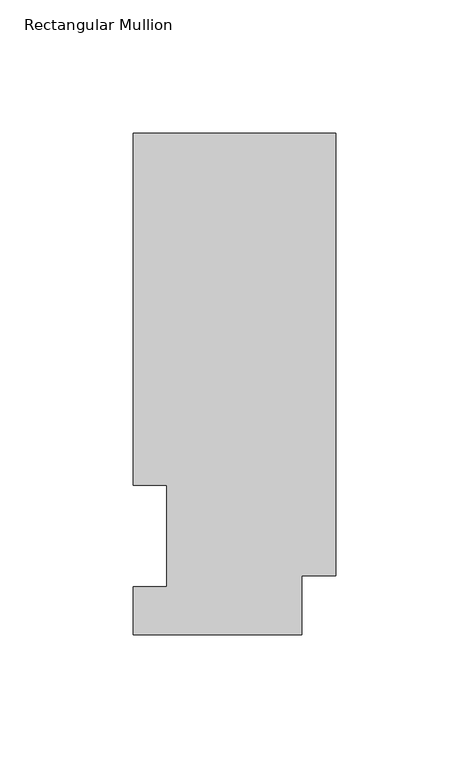
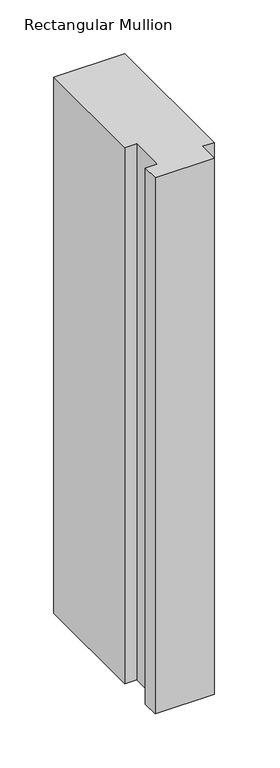
"""IFC4 building model written with IfcOpenShell, lengths in millimetres: member geometry, Rectangular Mullion."""

from ifc_helpers import new_model, si_unit, frame, origin, place, context, project, spatial, polyline, outline, extrude, source, transform, mapped, element, save


def rectangular_mullion_bc9c5409(model_context):
    return source(origin(), model_context, "Body", "SweptSolid", [
        extrude(outline(polyline([(-76.2, 189.0897822), (0.0, 189.0897822), (0.0, 22.6195299), (-12.7, 22.6195299), (-12.7, 0.5199062), (-76.2, 0.5199062), (-76.2, 18.5539063), (-63.5762, 18.5539063), (-63.5762, 56.6539062), (-76.2, 56.6539062), (-76.2, 189.0897822)])), frame((0.0, 0.0, -609.6), z_axis=(0.0, 0.0, 1.0), x_axis=(1.0, 0.0, 0.0)), (0.0, 0.0, 1.0), 609.6),
    ])


if __name__ == "__main__":
    model = new_model("IFC4")
    model_context = context("Model", 3, world=origin())
    ifc_project = project(units=[si_unit("LENGTHUNIT", "METRE", prefix="MILLI")], contexts=[model_context])
    site = spatial("IfcSite", under=ifc_project)
    building = spatial("IfcBuilding", under=site)
    placement = place(None, origin())
    rectangular_mullion_shape = rectangular_mullion_bc9c5409(model_context)
    element("IfcMember", 1, ObjectType="Rectangular Mullion", at=placement, inside=building, context=model_context, shape_type="MappedRepresentation", body=[
        mapped(rectangular_mullion_shape, transform((0.0, 0.0, 0.0), x_axis=(1.0, 0.0, 0.0), y_axis=(0.0, 1.0, 0.0), z_axis=(0.0, 0.0, 1.0))),
    ])
    save(model, "model.ifc")
